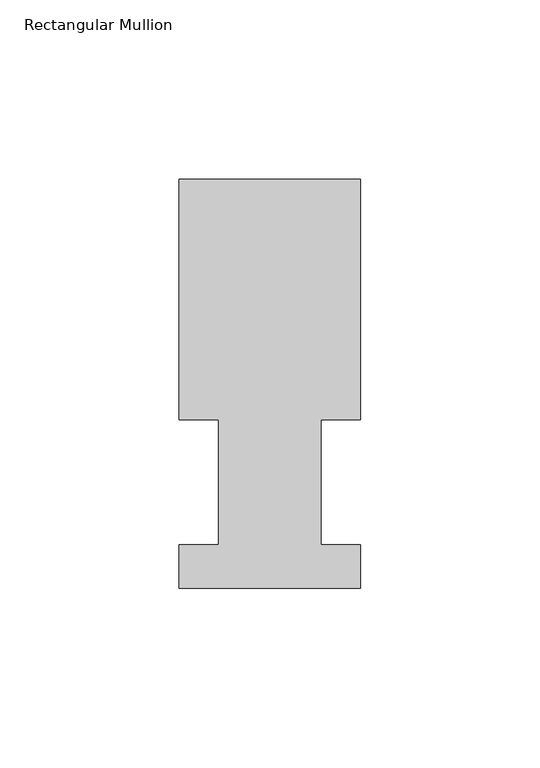
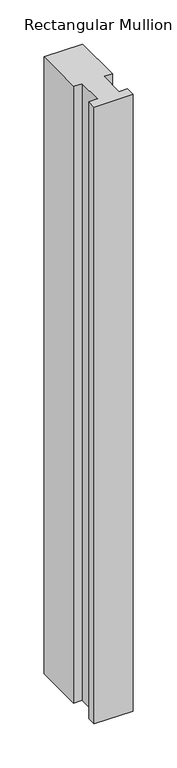
"""IFC4 building model written with IfcOpenShell, lengths in millimetres: member geometry, Rectangular Mullion."""

from ifc_helpers import new_model, si_unit, frame, origin, place, context, project, spatial, polyline, outline, extrude, source, transform, mapped, element, save


def rectangular_mullion_f25696db(model_context):
    return source(origin(), model_context, "Body", "SweptSolid", [
        extrude(outline(polyline([(-25.4, 114.252375), (25.4, 114.252375), (25.4, 47.069375), (14.2875, 47.069375), (14.2875, 12.144375), (25.4, 12.144375), (25.4, -0.047625), (-25.4, -0.047625), (-25.4, 12.144375), (-14.2875, 12.144375), (-14.2875, 47.069375), (-25.4, 47.069375), (-25.4, 114.252375)])), frame((0.0, 0.0, -854.0748985), z_axis=(0.0, 0.0, 1.0), x_axis=(1.0, 0.0, 0.0)), (0.0, 0.0, 1.0), 854.0748985),
    ])


if __name__ == "__main__":
    model = new_model("IFC4")
    model_context = context("Model", 3, world=origin())
    ifc_project = project(units=[si_unit("LENGTHUNIT", "METRE", prefix="MILLI")], contexts=[model_context])
    site = spatial("IfcSite", under=ifc_project)
    building = spatial("IfcBuilding", under=site)
    placement = place(None, origin())
    rectangular_mullion_shape = rectangular_mullion_f25696db(model_context)
    element("IfcMember", 1, ObjectType="Rectangular Mullion", at=placement, inside=building, context=model_context, shape_type="MappedRepresentation", body=[
        mapped(rectangular_mullion_shape, transform((0.0, 0.0, 0.0), x_axis=(1.0, 0.0, 0.0), y_axis=(0.0, 1.0, 0.0), z_axis=(0.0, 0.0, 1.0))),
    ])
    save(model, "model.ifc")
